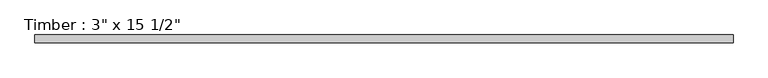
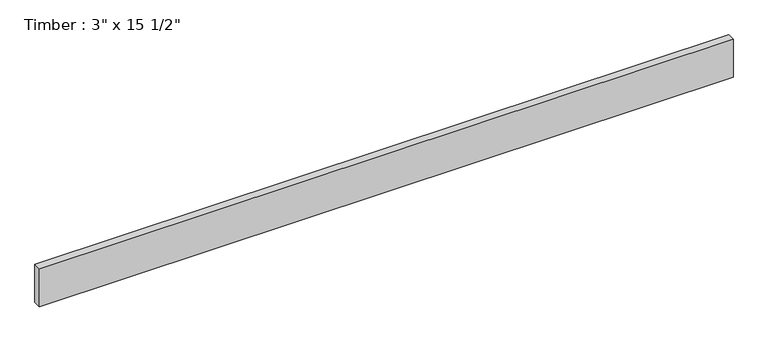
"""IFC4 building model written with IfcOpenShell, lengths in millimetres: beam geometry."""

from ifc_helpers import new_model, si_unit, frame, origin, place, context, project, spatial, polyline, outline, extrude, source, transform, mapped, element, save


def beam_b9a7a074(model_context):
    return source(origin(), model_context, "Body", "SweptSolid", [
        extrude(outline(polyline([(3390.9, 38.1), (3390.9, -38.1), (-3390.9, -38.1), (-3390.9, 38.1), (3390.9, 38.1)])), frame((0.0, 0.0, -196.85), z_axis=(0.0, 0.0, 1.0), x_axis=(1.0, 0.0, 0.0)), (0.0, 0.0, 1.0), 393.7),
    ])


if __name__ == "__main__":
    model = new_model("IFC4")
    model_context = context("Model", 3, world=origin())
    ifc_project = project(units=[si_unit("LENGTHUNIT", "METRE", prefix="MILLI")], contexts=[model_context])
    site = spatial("IfcSite", under=ifc_project)
    building = spatial("IfcBuilding", under=site)
    placement = place(None, origin())
    beam_shape = beam_b9a7a074(model_context)
    element("IfcBeam", 1, ObjectType="Timber : 3\" x 15 1/2\"", at=placement, inside=building, context=model_context, shape_type="MappedRepresentation", body=[
        mapped(beam_shape, transform((0.0, 0.0, 0.0), x_axis=(1.0, 0.0, 0.0), y_axis=(0.0, 1.0, 0.0), z_axis=(0.0, 0.0, 1.0))),
    ])
    save(model, "model.ifc")
